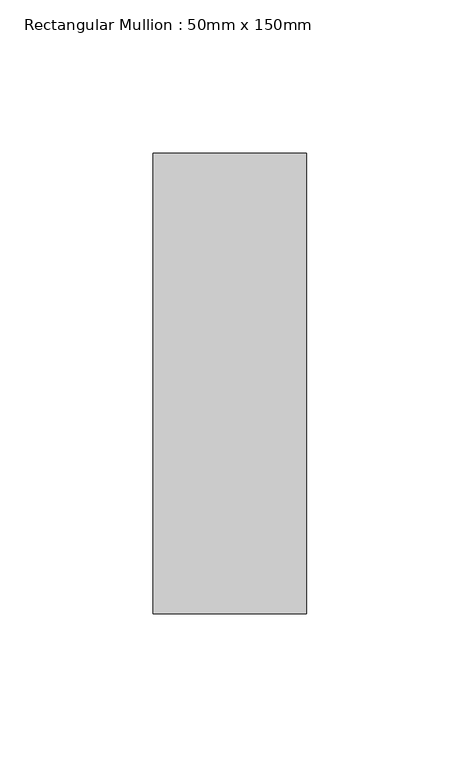
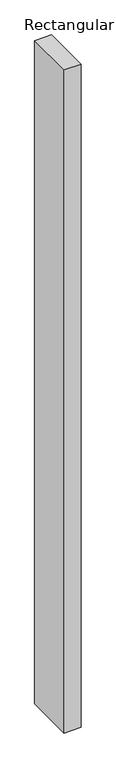
"""IFC4 building model written with IfcOpenShell, lengths in millimetres: member geometry, Rectangular Mullion : 50mm x 150mm."""

from ifc_helpers import new_model, si_unit, frame, origin, place, context, project, spatial, polyline, outline, extrude, source, transform, mapped, element, save


def rectangular_mullion_50mm_x_150mm_3155e7ed(model_context):
    return source(origin(), model_context, "Body", "SweptSolid", [
        extrude(outline(polyline([(0.0, 75.0), (0.0, -75.0), (-50.0, -75.0), (-50.0, 75.0), (0.0, 75.0)])), frame((0.0, 0.0, -2064.8914745), z_axis=(0.0, 0.0, 1.0), x_axis=(1.0, 0.0, 0.0)), (0.0, 0.0, 1.0), 2064.8914745),
    ])


if __name__ == "__main__":
    model = new_model("IFC4")
    model_context = context("Model", 3, world=origin())
    ifc_project = project(units=[si_unit("LENGTHUNIT", "METRE", prefix="MILLI")], contexts=[model_context])
    site = spatial("IfcSite", under=ifc_project)
    building = spatial("IfcBuilding", under=site)
    placement = place(None, origin())
    rectangular_mullion_50mm_x_150mm_shape = rectangular_mullion_50mm_x_150mm_3155e7ed(model_context)
    element("IfcMember", 1, ObjectType="Rectangular Mullion : 50mm x 150mm", at=placement, inside=building, context=model_context, shape_type="MappedRepresentation", body=[
        mapped(rectangular_mullion_50mm_x_150mm_shape, transform((0.0, 0.0, 0.0), x_axis=(1.0, 0.0, 0.0), y_axis=(0.0, 1.0, 0.0), z_axis=(0.0, 0.0, 1.0))),
    ])
    save(model, "model.ifc")
